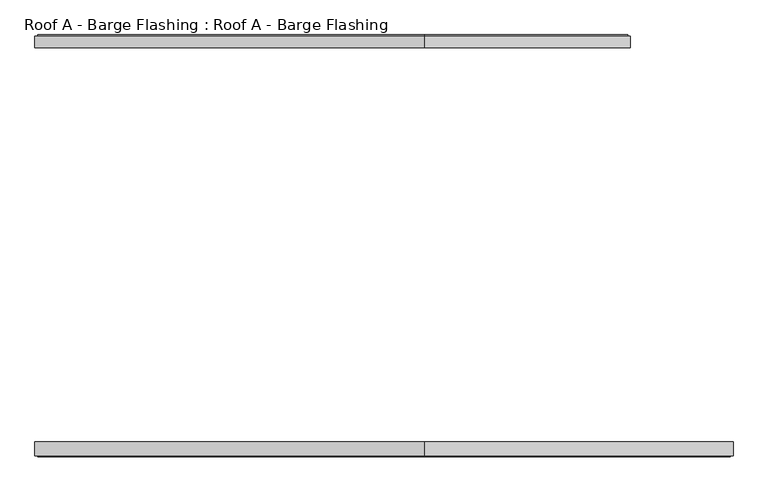
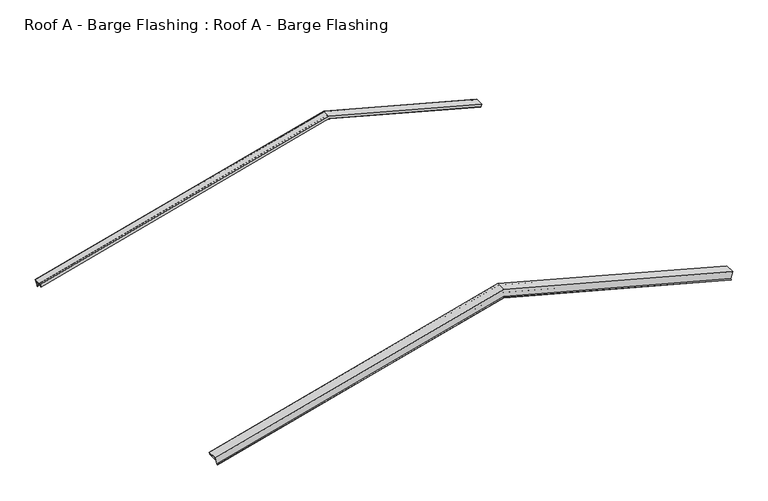
"""IFC4 building model written with IfcOpenShell, lengths in millimetres: proxy geometry, Roof A - Barge Flashing : Roof A - Barge Flashing."""

from ifc_helpers import new_model, si_unit, origin, place, context, project, spatial, faceted_brep, source, transform, mapped, element, save


def roof_a_barge_flashing_roof_a_barge_flashing_aa60d362(model_context):
    return source(origin(), model_context, "Body", "Brep", [
        faceted_brep([(6143.8600697, 5070.7401548, 5576.4292104), (6143.8600697, 5216.8878271, 5576.4292104), (6113.2769208, 5216.8878271, 5462.2913448), (6109.7238731, 5230.6157491, 5449.0311903), (6107.1616953, 5220.7162542, 5439.4690125), (6106.9786826, 5221.423361, 5438.7859998), (6109.7238731, 5232.0299627, 5449.0311903), (6113.3841271, 5217.8878271, 5462.6914444), (6144.1188887, 5217.8878271, 5577.3951362), (6144.1188887, 5069.7401548, 5577.3951362), (6131.8249841, 5069.7401548, 5531.5136595), (6131.8249841, 5070.7401548, 5531.5136595), (3500.0, 5070.7401548, 6236.7090386), (-1478.0096097, 5070.7401548, 4902.8553838), (-1490.0446953, 5070.7401548, 4947.7709347), (3500.0, 5070.7401548, 6284.849381), (3500.0, 5069.7401548, 6236.7090386), (3500.0, 5069.7401548, 6285.8846572), (-1490.3035143, 5069.7401548, 4948.7368605), (-1478.0096097, 5069.7401548, 4902.8553838), (3500.0, 5217.8878271, 6285.8846572), (3500.0, 5217.8878271, 6162.9456108), (-1459.5687527, 5217.8878271, 4834.0331687), (-1490.3035143, 5217.8878271, 4948.7368605), (3500.0, 5232.0299627, 6148.3045946), (3500.0, 5221.423361, 6137.3238325), (3500.0, 5220.7162542, 6138.0558833), (3500.0, 5230.6157491, 6148.3045946), (3500.0, 5216.8878271, 6162.5167853), (3500.0, 5216.8878271, 6284.849381), (-1490.0446953, 5216.8878271, 4947.7709347), (-1459.4615464, 5216.8878271, 4833.6330691), (-1455.9084987, 5232.0299627, 4820.3729146), (-1453.1633082, 5221.423361, 4810.1277241), (-1453.3463209, 5220.7162542, 4810.8107368), (-1455.9084987, 5230.6157491, 4820.3729146)], [[[0, 1, 2, 3, 4, 5, 6, 7, 8, 9, 10, 11]], [[0, 11, 12, 13, 14, 15]], [[11, 10, 16, 12]], [[10, 9, 17, 18, 19, 16]], [[9, 8, 20, 17]], [[8, 7, 21, 22, 23, 20]], [[7, 6, 24, 21]], [[6, 5, 25, 24]], [[5, 4, 26, 25]], [[4, 3, 27, 26]], [[3, 2, 28, 27]], [[2, 1, 29, 30, 31, 28]], [[1, 0, 15, 29]], [[14, 13, 19, 18, 23, 22, 32, 33, 34, 35, 31, 30]], [[12, 16, 19, 13]], [[17, 20, 23, 18]], [[21, 24, 32, 22]], [[24, 25, 33, 32]], [[25, 26, 34, 33]], [[26, 27, 35, 34]], [[27, 28, 31, 35]], [[29, 15, 14, 30]]]),
        faceted_brep([(6143.0836126, 5073.7401548, 5573.5314329), (6143.0836126, 5098.9847475, 5573.5314329), (6130.7897079, 5098.9847475, 5527.6499562), (6130.7897079, 5214.8878271, 5527.6499562), (6143.3424316, 5214.8878271, 5574.4973588), (6143.3424316, 5200.0982328, 5574.4973588), (6143.0836126, 5200.0982328, 5573.5314329), (6143.0836126, 5213.8878271, 5573.5314329), (6131.048527, 5213.8878271, 5528.615882), (6131.048527, 5099.9847475, 5528.615882), (6143.3424316, 5099.9847475, 5574.4973588), (6143.3424316, 5072.7401548, 5574.4973588), (6131.048527, 5072.7401548, 5528.615882), (6131.048527, 5073.7401548, 5528.615882), (-1489.2682382, 5073.7401548, 4944.8731572), (-1477.2331526, 5073.7401548, 4899.9576063), (-1477.2331526, 5072.7401548, 4899.9576063), (-1489.5270572, 5072.7401548, 4945.839083), (-1489.5270572, 5099.9847475, 4945.839083), (-1477.2331526, 5099.9847475, 4899.9576063), (-1477.2331526, 5213.8878271, 4899.9576063), (-1489.2682382, 5213.8878271, 4944.8731572), (-1489.2682382, 5200.0982328, 4944.8731572), (-1489.5270572, 5200.0982328, 4945.839083), (-1489.5270572, 5214.8878271, 4945.839083), (-1476.9743335, 5214.8878271, 4898.9916805), (-1476.9743335, 5098.9847475, 4898.9916805), (-1489.2682382, 5098.9847475, 4944.8731572), (3500.0, 5073.7401548, 6233.6032101), (3500.0, 5073.7401548, 6281.7435525), (3500.0, 5072.7401548, 6233.6032101), (3500.0, 5072.7401548, 6282.7788286), (3500.0, 5099.9847475, 6282.7788286), (3500.0, 5099.9847475, 6233.6032101), (3500.0, 5213.8878271, 6233.6032101), (3500.0, 5213.8878271, 6281.7435525), (3500.0, 5200.0982328, 6281.7435525), (3500.0, 5200.0982328, 6282.7788286), (3500.0, 5214.8878271, 6282.7788286), (3500.0, 5214.8878271, 6232.5679339), (3500.0, 5098.9847475, 6232.5679339), (3500.0, 5098.9847475, 6281.7435525)], [[[0, 1, 2, 3, 4, 5, 6, 7, 8, 9, 10, 11, 12, 13]], [[14, 15, 16, 17, 18, 19, 20, 21, 22, 23, 24, 25, 26, 27]], [[0, 13, 28, 15, 14, 29]], [[13, 12, 30, 28]], [[12, 11, 31, 17, 16, 30]], [[11, 10, 32, 31]], [[10, 9, 33, 19, 18, 32]], [[9, 8, 34, 33]], [[8, 7, 35, 21, 20, 34]], [[7, 6, 36, 35]], [[6, 5, 37, 23, 22, 36]], [[5, 4, 38, 37]], [[4, 3, 39, 25, 24, 38]], [[3, 2, 40, 39]], [[2, 1, 41, 27, 26, 40]], [[1, 0, 29, 41]], [[28, 30, 16, 15]], [[31, 32, 18, 17]], [[33, 34, 20, 19]], [[35, 36, 22, 21]], [[37, 38, 24, 23]], [[39, 40, 26, 25]], [[41, 29, 14, 27]]]),
        faceted_brep([(7461.3336903, 6.7598452, 5223.4132177), (7449.2986047, 6.7598452, 5178.4976668), (7449.2986047, 7.7598452, 5178.4976668), (7461.5925093, 7.7598452, 5224.3791436), (7461.5925093, -167.8878271, 5224.3791436), (7430.8577477, -167.8878271, 5109.6754517), (7427.1974937, -182.0299627, 5096.0151976), (7424.4523032, -171.423361, 5085.7700071), (7424.6353159, -170.7162542, 5086.4530198), (7427.1974937, -180.6157491, 5096.0151976), (7430.7505414, -166.8878271, 5109.2753521), (7461.3336903, -166.8878271, 5223.4132177), (3500.0, 6.7598452, 6284.849381), (-1490.0446953, 6.7598452, 4947.7709347), (-1478.0096097, 6.7598452, 4902.8553838), (3500.0, 6.7598452, 6236.7090386), (3500.0, 7.7598452, 6236.7090386), (-1478.0096097, 7.7598452, 4902.8553838), (-1490.3035143, 7.7598452, 4948.7368605), (3500.0, 7.7598452, 6285.8846572), (3500.0, -167.8878271, 6285.8846572), (-1490.3035143, -167.8878271, 4948.7368605), (-1459.5687527, -167.8878271, 4834.0331687), (3500.0, -167.8878271, 6162.9456108), (3500.0, -182.0299627, 6148.3045946), (3500.0, -171.423361, 6137.3238325), (3500.0, -170.7162542, 6138.0558833), (3500.0, -180.6157491, 6148.3045946), (3500.0, -166.8878271, 6162.5167853), (-1459.4615464, -166.8878271, 4833.6330691), (-1490.0446953, -166.8878271, 4947.7709347), (3500.0, -166.8878271, 6284.849381), (-1455.9084987, -180.6157491, 4820.3729146), (-1453.3463209, -170.7162542, 4810.8107368), (-1453.1633082, -171.423361, 4810.1277241), (-1455.9084987, -182.0299627, 4820.3729146)], [[[0, 1, 2, 3, 4, 5, 6, 7, 8, 9, 10, 11]], [[1, 0, 12, 13, 14, 15]], [[2, 1, 15, 16]], [[3, 2, 16, 17, 18, 19]], [[4, 3, 19, 20]], [[5, 4, 20, 21, 22, 23]], [[6, 5, 23, 24]], [[7, 6, 24, 25]], [[8, 7, 25, 26]], [[9, 8, 26, 27]], [[10, 9, 27, 28]], [[11, 10, 28, 29, 30, 31]], [[0, 11, 31, 12]], [[13, 30, 29, 32, 33, 34, 35, 22, 21, 18, 17, 14]], [[16, 15, 14, 17]], [[20, 19, 18, 21]], [[24, 23, 22, 35]], [[25, 24, 35, 34]], [[26, 25, 34, 33]], [[27, 26, 33, 32]], [[28, 27, 32, 29]], [[12, 31, 30, 13]]]),
        faceted_brep([(7460.5572332, 3.7598452, 5220.5154403), (7448.5221476, 3.7598452, 5175.5998893), (7448.5221476, 4.7598452, 5175.5998893), (7460.8160522, 4.7598452, 5221.4813661), (7460.8160522, -32.4847475, 5221.4813661), (7448.5221476, -32.4847475, 5175.5998893), (7448.5221476, -163.8878271, 5175.5998893), (7460.5572332, -163.8878271, 5220.5154403), (7460.5572332, -150.0982328, 5220.5154403), (7460.8160522, -150.0982328, 5221.4813661), (7460.8160522, -164.8878271, 5221.4813661), (7448.2633285, -164.8878271, 5174.6339635), (7448.2633285, -31.4847475, 5174.6339635), (7460.5572332, -31.4847475, 5220.5154403), (-1489.2682382, 3.7598452, 4944.8731572), (-1489.2682382, -31.4847475, 4944.8731572), (-1476.9743335, -31.4847475, 4898.9916805), (-1476.9743335, -164.8878271, 4898.9916805), (-1489.5270572, -164.8878271, 4945.839083), (-1489.5270572, -150.0982328, 4945.839083), (-1489.2682382, -150.0982328, 4944.8731572), (-1489.2682382, -163.8878271, 4944.8731572), (-1477.2331526, -163.8878271, 4899.9576063), (-1477.2331526, -32.4847475, 4899.9576063), (-1489.5270572, -32.4847475, 4945.839083), (-1489.5270572, 4.7598452, 4945.839083), (-1477.2331526, 4.7598452, 4899.9576063), (-1477.2331526, 3.7598452, 4899.9576063), (3500.0, 3.7598452, 6281.7435525), (3500.0, 3.7598452, 6233.6032101), (3500.0, 4.7598452, 6233.6032101), (3500.0, 4.7598452, 6282.7788286), (3500.0, -32.4847475, 6282.7788286), (3500.0, -32.4847475, 6233.6032101), (3500.0, -163.8878271, 6233.6032101), (3500.0, -163.8878271, 6281.7435525), (3500.0, -150.0982328, 6281.7435525), (3500.0, -150.0982328, 6282.7788286), (3500.0, -164.8878271, 6282.7788286), (3500.0, -164.8878271, 6232.5679339), (3500.0, -31.4847475, 6232.5679339), (3500.0, -31.4847475, 6281.7435525)], [[[0, 1, 2, 3, 4, 5, 6, 7, 8, 9, 10, 11, 12, 13]], [[14, 15, 16, 17, 18, 19, 20, 21, 22, 23, 24, 25, 26, 27]], [[1, 0, 28, 14, 27, 29]], [[2, 1, 29, 30]], [[3, 2, 30, 26, 25, 31]], [[4, 3, 31, 32]], [[5, 4, 32, 24, 23, 33]], [[6, 5, 33, 34]], [[7, 6, 34, 22, 21, 35]], [[8, 7, 35, 36]], [[9, 8, 36, 20, 19, 37]], [[10, 9, 37, 38]], [[11, 10, 38, 18, 17, 39]], [[12, 11, 39, 40]], [[13, 12, 40, 16, 15, 41]], [[0, 13, 41, 28]], [[30, 29, 27, 26]], [[32, 31, 25, 24]], [[34, 33, 23, 22]], [[36, 35, 21, 20]], [[38, 37, 19, 18]], [[40, 39, 17, 16]], [[28, 41, 15, 14]]]),
    ])


if __name__ == "__main__":
    model = new_model("IFC4")
    model_context = context("Model", 3, world=origin())
    ifc_project = project(units=[si_unit("LENGTHUNIT", "METRE", prefix="MILLI")], contexts=[model_context])
    site = spatial("IfcSite", under=ifc_project)
    building = spatial("IfcBuilding", under=site)
    placement = place(None, origin())
    roof_a_barge_flashing_roof_a_barge_flashing_shape = roof_a_barge_flashing_roof_a_barge_flashing_aa60d362(model_context)
    element("IfcBuildingElementProxy", 1, Name="Roof A - Barge Flashing : Roof A - Barge Flashing", ObjectType="Roof A - Barge Flashing : Roof A - Barge Flashing", at=placement, inside=building, context=model_context, shape_type="MappedRepresentation", body=[
        mapped(roof_a_barge_flashing_roof_a_barge_flashing_shape, transform((0.0, 0.0, 0.0), x_axis=(1.0, 0.0, 0.0), y_axis=(0.0, 1.0, 0.0), z_axis=(0.0, 0.0, 1.0))),
    ])
    save(model, "model.ifc")
